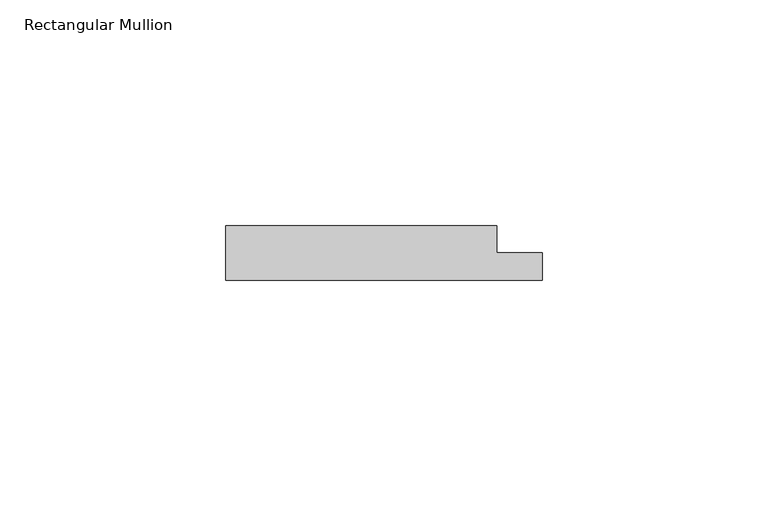
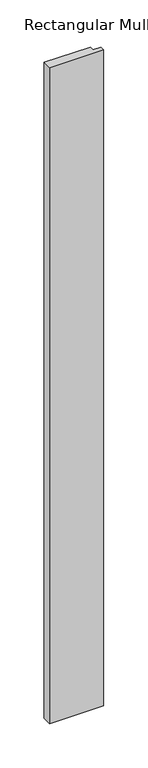
"""IFC4 building model written with IfcOpenShell, lengths in millimetres: member geometry, Rectangular Mullion."""

from ifc_helpers import new_model, si_unit, frame, origin, place, context, project, spatial, polyline, outline, extrude, source, transform, mapped, element, save


def rectangular_mullion_4f5b8955(model_context):
    return source(origin(), model_context, "Body", "SweptSolid", [
        extrude(outline(polyline([(40.0, 0.0), (-30.0, 0.0), (-30.0, 12.0), (30.0, 12.0), (30.0, 6.0), (40.0, 6.0), (40.0, 0.0)])), frame((0.0, 0.0, -900.0), z_axis=(0.0, 0.0, 1.0), x_axis=(1.0, 0.0, 0.0)), (0.0, 0.0, 1.0), 900.0),
    ])


if __name__ == "__main__":
    model = new_model("IFC4")
    model_context = context("Model", 3, world=origin())
    ifc_project = project(units=[si_unit("LENGTHUNIT", "METRE", prefix="MILLI")], contexts=[model_context])
    site = spatial("IfcSite", under=ifc_project)
    building = spatial("IfcBuilding", under=site)
    placement = place(None, origin())
    rectangular_mullion_shape = rectangular_mullion_4f5b8955(model_context)
    element("IfcMember", 1, ObjectType="Rectangular Mullion", at=placement, inside=building, context=model_context, shape_type="MappedRepresentation", body=[
        mapped(rectangular_mullion_shape, transform((0.0, 0.0, 0.0), x_axis=(1.0, 0.0, 0.0), y_axis=(0.0, 1.0, 0.0), z_axis=(0.0, 0.0, 1.0))),
    ])
    save(model, "model.ifc")
